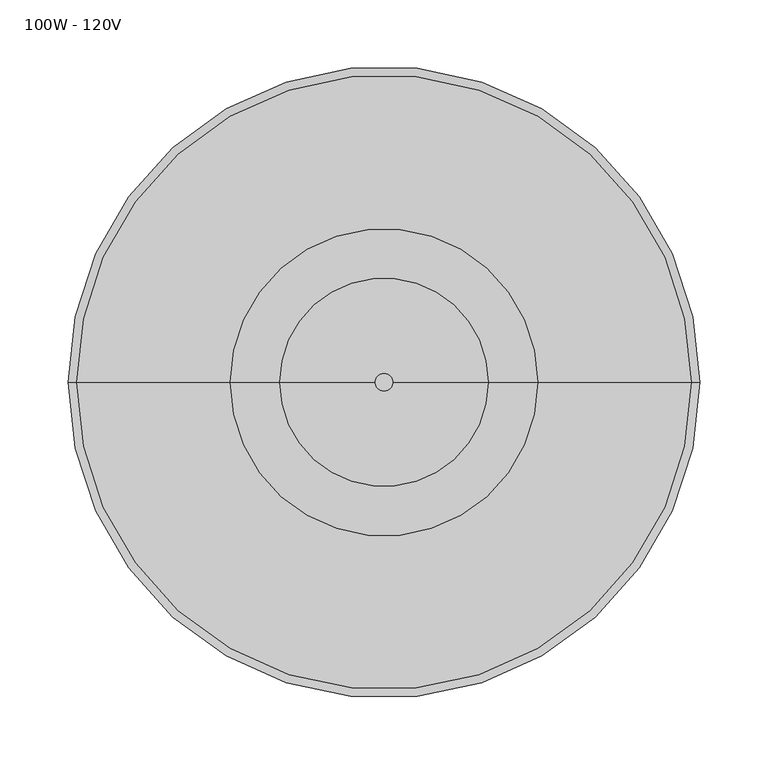
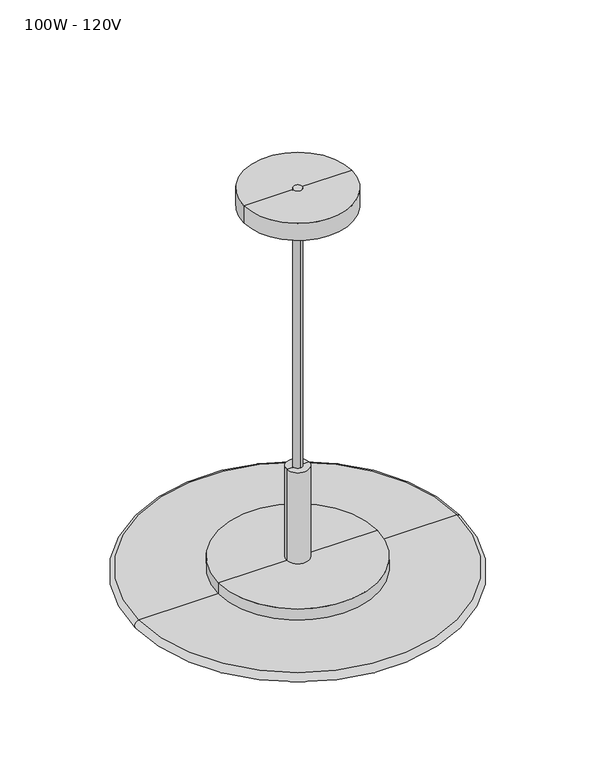
"""IFC4 building model written with IfcOpenShell, lengths in millimetres: light fixture geometry, 100W - 120V."""

import ifcopenshell
import ifcopenshell.guid

model = None  # the IFC model being written
_history = None  # IfcOwnerHistory: only IFC2X3 demands one
_inside = {}  # id of a spatial element -> (the spatial element, [elements in it])
_under = {}  # id of a project, library or spatial element -> (it, [spatial elements below it])
_declared = {}  # id of a project -> (the project, [libraries it declares])
_typed = {}  # id of a type object -> (the type object, [elements of that type])
_made_of = {}  # id of a material, layer set ... -> (it, [elements and type objects made of it])


def new_model(schema):
    """Start an empty IFC model of exactly this schema.

    Asked for "IFC4X3", IfcOpenShell would pick the latest addendum, in which some entities
    have other attributes; the version numbers below select the first issue.
    IFC2X3 requires an IfcOwnerHistory on every rooted entity: one is made here for all.
    """
    global model, _history
    if schema == "IFC4X3":
        model = ifcopenshell.file(schema_version=(4, 3, 0, 0))
    else:
        model = ifcopenshell.file(schema=schema)
    _inside.clear()
    _under.clear()
    _declared.clear()
    _typed.clear()
    _made_of.clear()
    _history = None
    if model.schema == "IFC2X3":
        org = make("IfcOrganization", Name="unknown")
        user = make(
            "IfcPersonAndOrganization",
            ThePerson=make("IfcPerson", FamilyName="unknown"),
            TheOrganization=org,
        )
        app = make(
            "IfcApplication",
            ApplicationDeveloper=org,
            Version="unknown",
            ApplicationFullName="unknown",
            ApplicationIdentifier="unknown",
        )
        _history = make(
            "IfcOwnerHistory",
            OwningUser=user,
            OwningApplication=app,
            ChangeAction="ADDED",
            CreationDate=0,
        )
    return model


def make(cls, **values):
    """One entity of the class cls with the attributes given. An attribute that is None is left unset."""
    return model.create_entity(
        cls, **{name: value for name, value in values.items() if value is not None}
    )


def rooted(cls, **values):
    """An entity with a GlobalId (a new one), such as an element, a storey or a relation."""
    return make(cls, GlobalId=ifcopenshell.guid.new(), OwnerHistory=_history, **values)


def si_unit(unit_type, name, prefix=None):
    """IfcSIUnit, for example si_unit("LENGTHUNIT", "METRE", prefix="MILLI")."""
    return make("IfcSIUnit", UnitType=unit_type, Prefix=prefix, Name=name)


def assignment(units):
    """IfcUnitAssignment: the units of a project."""
    return None if units is None else make("IfcUnitAssignment", Units=units)


def point(xyz):
    """IfcCartesianPoint."""
    return None if xyz is None else make("IfcCartesianPoint", Coordinates=xyz)


def direction(xyz):
    """IfcDirection."""
    return None if xyz is None else make("IfcDirection", DirectionRatios=xyz)


def frame(location, z_axis=None, x_axis=None):
    """IfcAxis2Placement3D, a coordinate frame: its origin and axes. An axis left out is left unset."""
    return make(
        "IfcAxis2Placement3D",
        Location=point(location),
        Axis=direction(z_axis),
        RefDirection=direction(x_axis),
    )


def frame_2d(location, x_axis=None):
    """IfcAxis2Placement2D, a coordinate frame in the plane: its origin and x axis."""
    return make(
        "IfcAxis2Placement2D", Location=point(location), RefDirection=direction(x_axis)
    )


def origin():
    """The frame at (0, 0, 0) with its axes left unset."""
    return frame((0.0, 0.0, 0.0))


def origin_2d():
    """The frame at (0, 0) in the plane with its x axis left unset."""
    return frame_2d((0.0, 0.0))


def place(relative_to, where):
    """IfcLocalPlacement: puts the frame where relative to a parent placement (None: the world)."""
    return make(
        "IfcLocalPlacement", PlacementRelTo=relative_to, RelativePlacement=where
    )


def context(
    kind, dimensions, precision=None, world=None, true_north=None, identifier=None
):
    """IfcGeometricRepresentationContext, for example the 3D "Model" context."""
    return make(
        "IfcGeometricRepresentationContext",
        ContextIdentifier=identifier,
        ContextType=kind,
        CoordinateSpaceDimension=dimensions,
        Precision=precision,
        WorldCoordinateSystem=world,
        TrueNorth=true_north,
    )


def project(units=None, contexts=None):
    """IfcProject with its units and contexts."""
    return rooted(
        "IfcProject",
        Name="project",
        RepresentationContexts=contexts,
        UnitsInContext=assignment(units),
    )


def spatial(cls, under=None, at=None, **own):
    """A site, building, storey or space (cls), placed at a placement, below another one or the project."""
    s = rooted(cls, ObjectPlacement=at, **own)
    if under is not None:
        _under.setdefault(under.id(), (under, []))[1].append(s)
    return s


def polyline(points):
    """IfcPolyline through the points."""
    return make("IfcPolyline", Points=[point(p) for p in points])


def circle_curve(where, radius):
    """IfcCircle in the frame where."""
    return make("IfcCircle", Position=where, Radius=radius)


def ellipse_curve(where, semi_axis1, semi_axis2):
    """IfcEllipse in the frame where."""
    return make(
        "IfcEllipse", Position=where, SemiAxis1=semi_axis1, SemiAxis2=semi_axis2
    )


def trimmed(basis, trim1, trim2, sense, master):
    """IfcTrimmedCurve: the piece of a basis curve between two trims."""
    return make(
        "IfcTrimmedCurve",
        BasisCurve=basis,
        Trim1=trim1,
        Trim2=trim2,
        SenseAgreement=sense,
        MasterRepresentation=master,
    )


def segment(curve, same_sense, transition):
    """IfcCompositeCurveSegment."""
    return make(
        "IfcCompositeCurveSegment",
        Transition=transition,
        SameSense=same_sense,
        ParentCurve=curve,
    )


def composite_curve(segments, self_intersect=None):
    """IfcCompositeCurve: segments joined end to end."""
    return make("IfcCompositeCurve", Segments=segments, SelfIntersect=self_intersect)


def outline(outer, holes=None, kind="AREA"):
    """IfcArbitraryClosedProfileDef: a profile drawn as a closed curve; with holes, ...WithVoids."""
    if holes is None:
        return make("IfcArbitraryClosedProfileDef", ProfileType=kind, OuterCurve=outer)
    return make(
        "IfcArbitraryProfileDefWithVoids",
        ProfileType=kind,
        OuterCurve=outer,
        InnerCurves=holes,
    )


def extrude(swept, where, along, depth):
    """IfcExtrudedAreaSolid: the profile swept, set in the frame where, extruded along a direction by depth."""
    return make(
        "IfcExtrudedAreaSolid",
        SweptArea=swept,
        Position=where,
        ExtrudedDirection=direction(along),
        Depth=depth,
    )


def shape(context_of_items, identifier, shape_type, items):
    """IfcShapeRepresentation: the items that make up one representation, for example the "Body"."""
    return make(
        "IfcShapeRepresentation",
        ContextOfItems=context_of_items,
        RepresentationIdentifier=identifier,
        RepresentationType=shape_type,
        Items=items,
    )


def source(mapping_origin, context_of_items, identifier, shape_type, items):
    """IfcRepresentationMap: a shape defined once, which mapped items show again and again."""
    return make(
        "IfcRepresentationMap",
        MappingOrigin=mapping_origin,
        MappedRepresentation=shape(context_of_items, identifier, shape_type, items),
    )


def transform(
    local_origin,
    x_axis=None,
    y_axis=None,
    z_axis=None,
    scale=None,
    scale2=None,
    scale3=None,
    uniform=True,
):
    """IfcCartesianTransformationOperator3D, or its non-uniform kind. x_axis, y_axis, z_axis: its Axis1, 2, 3."""
    if uniform:
        return make(
            "IfcCartesianTransformationOperator3D",
            Axis1=direction(x_axis),
            Axis2=direction(y_axis),
            LocalOrigin=point(local_origin),
            Scale=scale,
            Axis3=direction(z_axis),
        )
    return make(
        "IfcCartesianTransformationOperator3DnonUniform",
        Axis1=direction(x_axis),
        Axis2=direction(y_axis),
        LocalOrigin=point(local_origin),
        Scale=scale,
        Axis3=direction(z_axis),
        Scale2=scale2,
        Scale3=scale3,
    )


def mapped(mapping_source, mapping_target):
    """IfcMappedItem: shows the shape of a source again, moved by a transform."""
    return make(
        "IfcMappedItem", MappingSource=mapping_source, MappingTarget=mapping_target
    )


def made_of(thing, what):
    """Note that an element or type object is made of a material, layer set ...; save() writes the relation."""
    if what is not None:
        _made_of.setdefault(what.id(), (what, []))[1].append(thing)
    return thing


def element(
    cls,
    number,
    at=None,
    inside=None,
    cuts=None,
    type_object=None,
    material=None,
    context=None,
    identifier="Body",
    shape_type=None,
    held_by="IfcProductDefinitionShape",
    body=None,
    shapes=None,
    **own,
):
    """One element of the class cls, such as IfcWall. Its Tag is "e" and its number.

    at: its placement. inside: the storey or other place that contains it. cuts: it is an
    opening in that element (IfcRelVoidsElement). A single representation is given by context,
    identifier, shape_type and body (its items); several are given by shapes. held_by: the class
    of the entity that holds the representations. save() writes the other relations.
    """
    e = rooted(cls, Tag="e%d" % number, ObjectPlacement=at, **own)
    if body is not None:
        shapes = [shape(context, identifier, shape_type, body)]
    if shapes is not None:
        e.Representation = make(held_by, Representations=shapes)
    if inside is not None:
        _inside.setdefault(inside.id(), (inside, []))[1].append(e)
    if cuts is not None:
        rooted(
            "IfcRelVoidsElement", RelatingBuildingElement=cuts, RelatedOpeningElement=e
        )
    if type_object is not None:
        _typed.setdefault(type_object.id(), (type_object, []))[1].append(e)
    return made_of(e, material)


def aggregate(whole, parts):
    """IfcRelAggregates: a whole, such as a stair, and the parts it consists of."""
    return rooted("IfcRelAggregates", RelatingObject=whole, RelatedObjects=parts)


def save(model, path):
    """Write the relations noted so far, then the file.

    IfcRelAggregates (storeys below a building ...), IfcRelContainedInSpatialStructure (elements
    in a storey), IfcRelDefinesByType, IfcRelAssociatesMaterial and IfcRelDeclares: one each for
    every whole, place, type object, material and project.
    """
    for whole, parts in _under.values():
        aggregate(whole, parts)
    for where, things in _inside.values():
        rooted(
            "IfcRelContainedInSpatialStructure",
            RelatedElements=things,
            RelatingStructure=where,
        )
    for kind, things in _typed.values():
        rooted("IfcRelDefinesByType", RelatedObjects=things, RelatingType=kind)
    for what, things in _made_of.values():
        rooted("IfcRelAssociatesMaterial", RelatedObjects=things, RelatingMaterial=what)
    for by, libraries in _declared.values():
        rooted("IfcRelDeclares", RelatingContext=by, RelatedDefinitions=libraries)
    model.write(path)


def plane_surface(at):
    """IfcPlane: the flat surface through the origin of the frame at, square to its z axis."""
    return make("IfcPlane", Position=at)


def cylinder_surface(at, radius):
    """IfcCylindricalSurface: all points at the distance radius from the z axis of the frame at."""
    return make("IfcCylindricalSurface", Position=at, Radius=radius)


def revolved_surface(curve, axis_point, axis_direction):
    """IfcSurfaceOfRevolution: the curve turned about the line through axis_point along axis_direction."""
    return make(
        "IfcSurfaceOfRevolution",
        SweptCurve=make("IfcArbitraryOpenProfileDef", ProfileType="CURVE", Curve=curve),
        AxisPosition=make("IfcAxis1Placement", Location=point(axis_point), Axis=direction(axis_direction)),
    )


def advanced_brep(points, edges, surfaces, faces):
    """IfcAdvancedBrep: a solid bounded by faces that lie on surfaces and meet in shared edges.

    An edge is (start, end): straight between two places in points (the first is 0);
    or (start, end, curve); or (start, end, curve, False) where it runs against its curve.
    A face is (place in surfaces, loops), or (place, loops, False) where it looks against
    its surface's normal. A loop lists edges by number (the first is 1), with a minus sign
    where the edge is run from its end to its start. The first loop is the outer one.
    """
    corners = [point(p) for p in points]
    vertices = [make("IfcVertexPoint", VertexGeometry=c) for c in corners]
    made = []
    for start, end, *more in edges:
        made.append(
            make(
                "IfcEdgeCurve",
                EdgeStart=vertices[start],
                EdgeEnd=vertices[end],
                EdgeGeometry=more[0] if more else make("IfcPolyline", Points=[corners[start], corners[end]]),
                SameSense=more[1] if len(more) > 1 else True,
            )
        )
    hull = []
    for where, loops, *sense in faces:
        bounds = []
        for j, loop in enumerate(loops):
            ring = [make("IfcOrientedEdge", EdgeElement=made[abs(k) - 1], Orientation=k > 0) for k in loop]
            bounds.append(
                make(
                    "IfcFaceOuterBound" if j == 0 else "IfcFaceBound",
                    Bound=make("IfcEdgeLoop", EdgeList=ring),
                    Orientation=True,
                )
            )
        hull.append(make("IfcAdvancedFace", Bounds=bounds, FaceSurface=surfaces[where], SameSense=sense[0] if sense else True))
    return make("IfcAdvancedBrep", Outer=make("IfcClosedShell", CfsFaces=hull))


def light_fixture_100w_120v_a7a090af(model_context):
    return source(origin(), model_context, "Body", "SolidModel", [
        advanced_brep(
        [(15.875, 0.0, 1886.475253), (-15.875, 0.0, 1886.475253), (-15.875, 0.0, 2022.55), (15.875, 0.0, 2022.55), (112.5, 0.0, 1886.475253), (-112.5, 0.0, 1886.475253), (112.5, 0.0, 1851.1000062), (-112.5, 0.0, 1851.1000062), (38.1, 0.0, 1851.1000062), (-38.1, 0.0, 1851.1000062), (38.1, 0.0, 1870.15), (-38.1, 0.0, 1870.15), (0.0, 0.0, 1870.15), (0.0, 0.0, 2022.55)],
        [
            (0, 1, circle_curve(frame((0.0, 0.0, 1886.475253), z_axis=(0.0, 0.0, 1.0), x_axis=(-1.0, 0.0, 0.0)), 15.875)),
            (1, 2),
            (2, 3, circle_curve(frame((0.0, 0.0, 2022.55), z_axis=(0.0, 0.0, -1.0), x_axis=(-1.0, 0.0, 0.0)), 15.875)),
            (3, 0),
            (1, 0, circle_curve(frame((0.0, 0.0, 1886.475253), z_axis=(0.0, 0.0, 1.0), x_axis=(-1.0, 0.0, 0.0)), 15.875)),
            (3, 2, circle_curve(frame((0.0, 0.0, 2022.55), z_axis=(0.0, 0.0, -1.0), x_axis=(-1.0, 0.0, 0.0)), 15.875)),
            (4, 5, circle_curve(frame((0.0, 0.0, 1886.475253), z_axis=(0.0, 0.0, 1.0), x_axis=(-1.0, 0.0, 0.0)), 112.5)),
            (5, 1),
            (0, 4),
            (5, 4, circle_curve(frame((0.0, 0.0, 1886.475253), z_axis=(0.0, 0.0, 1.0), x_axis=(-1.0, 0.0, 0.0)), 112.5)),
            (6, 7, circle_curve(frame((0.0, 0.0, 1851.1000062), z_axis=(0.0, 0.0, 1.0), x_axis=(-1.0, 0.0, 0.0)), 112.5)),
            (7, 5),
            (4, 6),
            (7, 6, circle_curve(frame((0.0, 0.0, 1851.1000062), z_axis=(0.0, 0.0, 1.0), x_axis=(-1.0, 0.0, 0.0)), 112.5)),
            (8, 9, circle_curve(frame((0.0, 0.0, 1851.1000062), z_axis=(0.0, 0.0, 1.0), x_axis=(-1.0, 0.0, 0.0)), 38.1)),
            (9, 7),
            (6, 8),
            (9, 8, circle_curve(frame((0.0, 0.0, 1851.1000062), z_axis=(0.0, 0.0, 1.0), x_axis=(-1.0, 0.0, 0.0)), 38.1)),
            (10, 11, circle_curve(frame((0.0, 0.0, 1870.15), z_axis=(0.0, 0.0, 1.0), x_axis=(-1.0, 0.0, 0.0)), 38.1)),
            (11, 9),
            (8, 10),
            (11, 10, circle_curve(frame((0.0, 0.0, 1870.15), z_axis=(0.0, 0.0, 1.0), x_axis=(-1.0, 0.0, 0.0)), 38.1)),
            (12, 11),
            (10, 12),
            (2, 13),
            (13, 3),
        ],
        [
            cylinder_surface(frame((0.0, 0.0, 2046.6629221), z_axis=(0.0, 0.0, -1.0), x_axis=(-1.0, 0.0, 0.0)), 15.875),
            plane_surface(frame((0.0, 0.0, 1886.475253), z_axis=(0.0, 0.0, 1.0), x_axis=(-1.0, 0.0, 0.0))),
            cylinder_surface(frame((0.0, 0.0, 2046.6629221), z_axis=(0.0, 0.0, -1.0), x_axis=(-1.0, 0.0, 0.0)), 112.5),
            plane_surface(frame((0.0, 0.0, 1851.1000062), z_axis=(0.0, 0.0, -1.0), x_axis=(-1.0, 0.0, 0.0))),
            revolved_surface(polyline([(-38.1, 0.0, 1851.1000062), (-38.1, 0.0, 1870.15)]), (0.0, 0.0, 2046.6629221), (0.0, 0.0, -1.0)),
            plane_surface(frame((0.0, 0.0, 1870.15), z_axis=(0.0, 0.0, -1.0), x_axis=(-1.0, 0.0, 0.0))),
            plane_surface(frame((0.0, 0.0, 2022.55), z_axis=(0.0, 0.0, 1.0), x_axis=(-1.0, 0.0, 0.0))),
        ],
        [
            (0, [[1, 2, 3, 4]]),
            (0, [[5, -4, 6, -2]]),
            (1, [[7, 8, -1, 9]]),
            (1, [[10, -9, -5, -8]]),
            (2, [[11, 12, -7, 13]]),
            (2, [[14, -13, -10, -12]]),
            (3, [[15, 16, -11, 17]]),
            (3, [[18, -17, -14, -16]]),
            (4, [[19, 20, -15, 21]]),
            (4, [[22, -21, -18, -20]]),
            (5, [[23, -19, 24]]),
            (5, [[-24, -22, -23]]),
            (6, [[-3, 25, 26]]),
            (6, [[-6, -26, -25]]),
        ],
    ),
        extrude(outline(composite_curve([segment(trimmed(circle_curve(origin_2d(), 6.35), [point((0.0, 6.35))], [point((0.0, -6.35))], False, "CARTESIAN"), True, "CONTINUOUS"), segment(trimmed(circle_curve(origin_2d(), 6.35), [point((0.0, -6.35))], [point((0.0, 6.35))], False, "CARTESIAN"), True, "CONTINUOUS")], self_intersect=False)), frame((0.0, 0.0, 1851.1000062), z_axis=(0.0, 0.0, 1.0), x_axis=(1.0, 0.0, 0.0)), (0.0, 0.0, 1.0), 587.3),
        advanced_brep(
        [(0.0, 0.0, 1857.45), (-225.0, 0.0, 1857.45), (225.0, 0.0, 1857.45), (225.0, 0.0, 1870.15), (-225.0, 0.0, 1870.15), (0.0, 0.0, 1870.15)],
        [
            (0, 1),
            (1, 2, circle_curve(frame((0.0, 0.0, 1857.45), z_axis=(0.0, 0.0, -1.0), x_axis=(-1.0, 0.0, 0.0)), 225.0)),
            (2, 0),
            (2, 1, circle_curve(frame((0.0, 0.0, 1857.45), z_axis=(0.0, 0.0, -1.0), x_axis=(-1.0, 0.0, 0.0)), 225.0)),
            (3, 4, circle_curve(frame((0.0, 0.0, 1870.15), z_axis=(0.0, 0.0, 1.0), x_axis=(-1.0, 0.0, 0.0)), 225.0)),
            (4, 5),
            (5, 3),
            (4, 3, circle_curve(frame((0.0, 0.0, 1870.15), z_axis=(0.0, 0.0, 1.0), x_axis=(-1.0, 0.0, 0.0)), 225.0)),
            (1, 4, circle_curve(frame((-225.0, 0.0, 1863.8), z_axis=(0.0, 1.0, 0.0), x_axis=(0.0, 0.0, -1.0)), 6.35)),
            (3, 2, circle_curve(frame((225.0, 0.0, 1863.8), z_axis=(0.0, 1.0, 0.0), x_axis=(0.0, 0.0, -1.0)), 6.35)),
        ],
        [
            plane_surface(frame((0.0, 0.0, 1857.45), z_axis=(0.0, 0.0, -1.0), x_axis=(-1.0, 0.0, 0.0))),
            plane_surface(frame((0.0, 0.0, 1870.15), z_axis=(0.0, 0.0, 1.0), x_axis=(-1.0, 0.0, 0.0))),
            revolved_surface(trimmed(ellipse_curve(frame((-225.0, 0.0, 1863.8), z_axis=(0.0, -1.0, 0.0), x_axis=(0.0, 0.0, -1.0)), 6.35, 6.35), [point((-225.0, 0.0, 1870.15))], [point((-225.0, 0.0, 1857.45))], True, "CARTESIAN"), (0.0, 0.0, 1935.2510876), (0.0, 0.0, -1.0)),
        ],
        [
            (0, [[1, 2, 3]]),
            (0, [[-3, 4, -1]]),
            (1, [[5, 6, 7]]),
            (1, [[8, -7, -6]]),
            (2, [[-2, 9, -5, 10]]),
            (2, [[-4, -10, -8, -9]]),
        ],
    ),
        advanced_brep(
        [(76.2, 0.0, 2413.0000062), (-76.2, 0.0, 2413.0000062), (-76.2, 0.0, 2438.4000062), (76.2, 0.0, 2438.4000062), (0.0, 0.0, 2377.4673627), (0.0, 0.0, 2438.4000062)],
        [
            (0, 1, circle_curve(frame((0.0, 0.0, 2413.0000062), z_axis=(0.0, 0.0, 1.0), x_axis=(-1.0, 0.0, 0.0)), 76.2)),
            (1, 2),
            (2, 3, circle_curve(frame((0.0, 0.0, 2438.4000062), z_axis=(0.0, 0.0, -1.0), x_axis=(-1.0, 0.0, 0.0)), 76.2)),
            (3, 0),
            (1, 0, circle_curve(frame((0.0, 0.0, 2413.0000062), z_axis=(0.0, 0.0, 1.0), x_axis=(-1.0, 0.0, 0.0)), 76.2)),
            (3, 2, circle_curve(frame((0.0, 0.0, 2438.4000062), z_axis=(0.0, 0.0, -1.0), x_axis=(-1.0, 0.0, 0.0)), 76.2)),
            (4, 1),
            (0, 4),
            (2, 5),
            (5, 3),
        ],
        [
            cylinder_surface(frame((0.0, 0.0, 2514.6000062), z_axis=(0.0, 0.0, -1.0), x_axis=(-1.0, 0.0, 0.0)), 76.2),
            revolved_surface(polyline([(-76.2, 0.0, 2413.0000062), (0.0, 0.0, 2377.4673627)]), (0.0, 0.0, 2514.6000062), (0.0, 0.0, -1.0)),
            plane_surface(frame((0.0, 0.0, 2438.4000062), z_axis=(0.0, 0.0, 1.0), x_axis=(-1.0, 0.0, 0.0))),
        ],
        [
            (0, [[1, 2, 3, 4]]),
            (0, [[5, -4, 6, -2]]),
            (1, [[7, -1, 8]]),
            (1, [[-8, -5, -7]]),
            (2, [[-3, 9, 10]]),
            (2, [[-6, -10, -9]]),
        ],
    ),
    ])


if __name__ == "__main__":
    model = new_model("IFC4")
    model_context = context("Model", 3, world=origin())
    ifc_project = project(units=[si_unit("LENGTHUNIT", "METRE", prefix="MILLI")], contexts=[model_context])
    site = spatial("IfcSite", under=ifc_project)
    building = spatial("IfcBuilding", under=site)
    placement = place(None, origin())
    light_fixture_100w_120v_shape = light_fixture_100w_120v_a7a090af(model_context)
    element("IfcLightFixture", 1, ObjectType="100W - 120V", at=placement, inside=building, context=model_context, shape_type="MappedRepresentation", body=[
        mapped(light_fixture_100w_120v_shape, transform((0.0, 0.0, 0.0), x_axis=(1.0, 0.0, 0.0), y_axis=(0.0, 1.0, 0.0), z_axis=(0.0, 0.0, 1.0))),
    ])
    save(model, "model.ifc")
